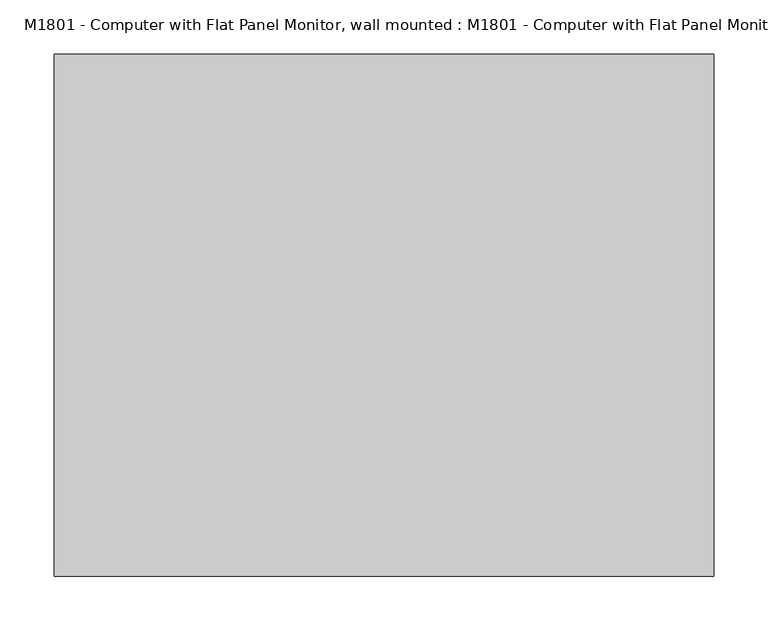
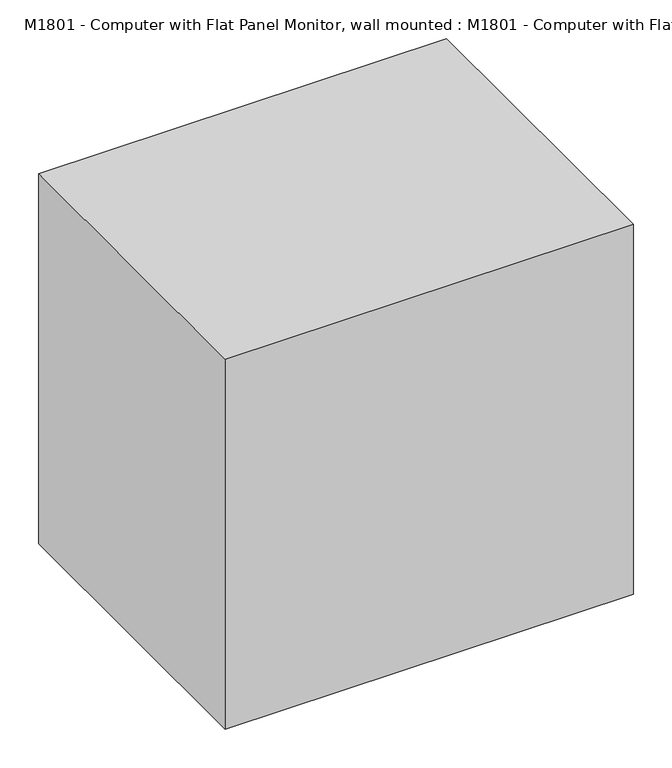
"""IFC4 building model written with IfcOpenShell, lengths in millimetres: proxy geometry, M1801 - Computer with Flat Panel Monitor, wall mounted : M1801 - Computer with Flat Panel Monitor, wall mounted."""

from ifc_helpers import new_model, si_unit, frame, origin, origin_with_axes, place, context, project, spatial, polyline, outline, extrude, source, transform, mapped, element, save


def m1801_computer_with_flat_panel_monitor_wall_mounted_m1801_14fd097a(model_context):
    return source(origin(), model_context, "Body", "SweptSolid", [
        extrude(outline(polyline([(431.8, 241.3), (431.8, -241.3), (152.4, -241.3), (152.4, 241.3), (431.8, 241.3)]), holes=[polyline([(419.1, 228.6), (165.1, 228.6), (165.1, -228.6), (419.1, -228.6), (419.1, 228.6)])]), frame((0.0, 82.6343095, 0.0), z_axis=(0.0, 1.0, 0.0), x_axis=(0.0, 0.0, 1.0)), (0.0, 0.0, 1.0), 4.7862024),
        extrude(outline(polyline([(241.3, 87.4205119), (-241.3, 87.4205119), (-241.3, 133.2656905), (241.3, 133.2656905), (241.3, 87.4205119)])), frame((0.0, 0.0, 152.4), z_axis=(0.0, 0.0, 1.0), x_axis=(1.0, 0.0, 0.0)), (0.0, 0.0, 1.0), 279.4),
        extrude(outline(polyline([(304.8, 241.3), (304.8, -241.3), (-304.8, -241.3), (-304.8, 241.3), (304.8, 241.3)])), origin_with_axes(), (0.0, 0.0, 1.0), 584.2),
    ])


if __name__ == "__main__":
    model = new_model("IFC4")
    model_context = context("Model", 3, world=origin())
    ifc_project = project(units=[si_unit("LENGTHUNIT", "METRE", prefix="MILLI")], contexts=[model_context])
    site = spatial("IfcSite", under=ifc_project)
    building = spatial("IfcBuilding", under=site)
    placement = place(None, origin())
    m1801_computer_with_flat_panel_monitor_wall_mounted_m1801_shape = m1801_computer_with_flat_panel_monitor_wall_mounted_m1801_14fd097a(model_context)
    element("IfcBuildingElementProxy", 1, Name="M1801 - Computer with Flat Panel Monitor, wall mounted : M1801 - Computer with Flat Panel Monitor, wall mounted", ObjectType="M1801 - Computer with Flat Panel Monitor, wall mounted : M1801 - Computer with Flat Panel Monitor, wall mounted", at=placement, inside=building, context=model_context, shape_type="MappedRepresentation", body=[
        mapped(m1801_computer_with_flat_panel_monitor_wall_mounted_m1801_shape, transform((0.0, 0.0, 0.0), x_axis=(1.0, 0.0, 0.0), y_axis=(0.0, 1.0, 0.0), z_axis=(0.0, 0.0, 1.0))),
    ])
    save(model, "model.ifc")
